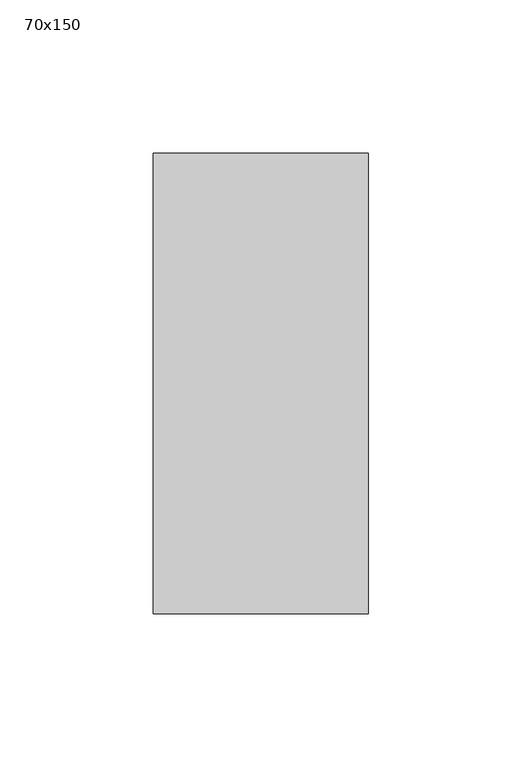
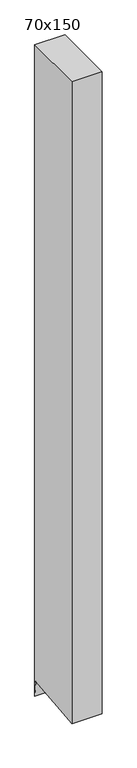
"""IFC4 building model written with IfcOpenShell, lengths in millimetres: member geometry, 70x150."""

from ifc_helpers import new_model, si_unit, frame, origin, place, context, project, spatial, polyline, outline, extrude, source, transform, mapped, element, save


def member_70x150_81babc25(model_context):
    return source(origin(), model_context, "Body", "SweptSolid", [
        extrude(outline(polyline([(-75.0, 0.0), (75.0, 0.0), (75.0, -1597.8198428), (70.9325398, -1559.1040053), (-75.0, -1574.435581), (-75.0, 0.0)])), frame((-70.0, 0.0, 0.0), z_axis=(1.0, 0.0, 0.0), x_axis=(0.0, 1.0, 0.0)), (0.0, 0.0, 1.0), 70.0),
    ])


if __name__ == "__main__":
    model = new_model("IFC4")
    model_context = context("Model", 3, world=origin())
    ifc_project = project(units=[si_unit("LENGTHUNIT", "METRE", prefix="MILLI")], contexts=[model_context])
    site = spatial("IfcSite", under=ifc_project)
    building = spatial("IfcBuilding", under=site)
    placement = place(None, origin())
    member_70x150_shape = member_70x150_81babc25(model_context)
    element("IfcMember", 1, ObjectType="70x150", at=placement, inside=building, context=model_context, shape_type="MappedRepresentation", body=[
        mapped(member_70x150_shape, transform((0.0, 0.0, 0.0), x_axis=(1.0, 0.0, 0.0), y_axis=(0.0, 1.0, 0.0), z_axis=(0.0, 0.0, 1.0))),
    ])
    save(model, "model.ifc")
